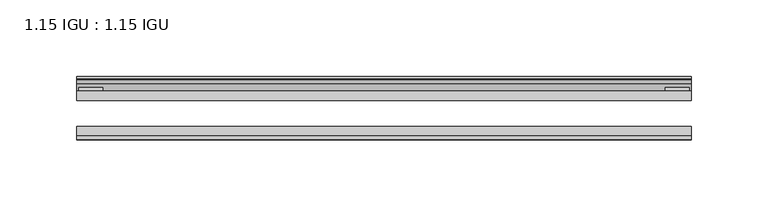
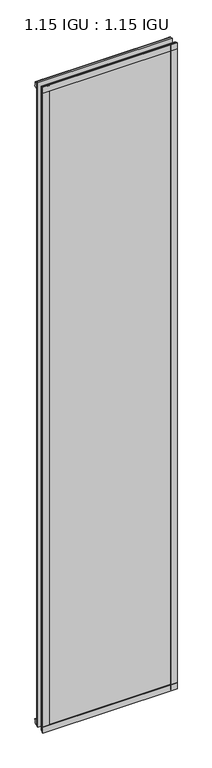
"""IFC4 building model written with IfcOpenShell, lengths in millimetres: plate geometry, 1.15 IGU : 1.15 IGU."""

from ifc_helpers import new_model, si_unit, point, frame, frame_2d, origin, place, context, project, spatial, polyline, circle_curve, trimmed, segment, composite_curve, outline, extrude, source, transform, mapped, element, save


def plate_1_15_igu_1_15_igu_f3071727(model_context):
    return source(origin(), model_context, "Body", "SweptSolid", [
        extrude(outline(polyline([(200.2730469, 0.0), (200.2730469, -6.2992), (-200.2730469, -6.2992), (-200.2730469, 0.0), (200.2730469, 0.0)])), frame((0.0, 0.0, -15.875), z_axis=(0.0, 0.0, 1.0), x_axis=(1.0, 0.0, 0.0)), (0.0, 0.0, 1.0), 2033.5830337),
        extrude(outline(polyline([(-200.2730469, -23.1648), (200.2730469, -23.1648), (200.2730469, -29.464), (-200.2730469, -29.464), (-200.2730469, -23.1648)])), frame((0.0, 0.0, -15.875), z_axis=(0.0, 0.0, 1.0), x_axis=(1.0, 0.0, 0.0)), (0.0, 0.0, 1.0), 2033.5830337),
        extrude(outline(polyline([(-200.2730469, -31.75), (-200.2730469, -29.464), (200.2730469, -29.464), (200.2730469, -31.75), (-200.2730469, -31.75)])), frame((0.0, 0.0, -19.05), z_axis=(0.0, 0.0, 1.0), x_axis=(1.0, 0.0, 0.0)), (0.0, 0.0, 1.0), 19.05),
        extrude(outline(composite_curve([segment(trimmed(circle_curve(frame_2d((13.6593785, 32.4202472)), 31.3046461), [point((0.0, 4.2528503))], [point((9.3980339, 1.406995))], True, "CARTESIAN"), True, "CONTINUOUS"), segment(polyline([(9.3980339, 1.406995), (9.3980339, 0.0254), (6.35, 0.0254), (6.35, -5.1625788), (7.7309478, -5.3970663), (6.35, -8.0073788), (6.35, -11.8471127)]), True, "CONTINUOUS"), segment(trimmed(circle_curve(frame_2d((5.334, -11.8471127)), 1.016), [point((6.35, -11.8471127))], [point((4.6284878, -12.5782136))], False, "CARTESIAN"), True, "CONTINUOUS"), segment(trimmed(circle_curve(frame_2d((-23.3689302, -41.5910901)), 40.3187601), [point((4.6284878, -12.5782136))], [point((0.0, -8.735413))], True, "CARTESIAN"), True, "CONTINUOUS"), segment(polyline([(0.0, -8.735413), (0.0, 4.2528503)]), True, "CONTINUOUS")], self_intersect=False)), frame((-200.2730469, 0.0, 0.0), z_axis=(1.0, 0.0, 0.0), x_axis=(0.0, 1.0, 0.0)), (0.0, 0.0, 1.0), 400.5460937),
        extrude(outline(composite_curve([segment(trimmed(circle_curve(frame_2d((-23.3689302, 2041.8747237)), 40.3187601), [point((0.0, 2009.0190467))], [point((4.9746073, 2013.1998864))], True, "CARTESIAN"), True, "CONTINUOUS"), segment(trimmed(circle_curve(frame_2d((5.8674, 2012.2966582)), 1.27), [point((4.9746073, 2013.1998864))], [point((7.1374, 2012.2966582))], False, "CARTESIAN"), True, "CONTINUOUS"), segment(polyline([(7.1374, 2012.2966582), (7.1374, 2007.8958505), (7.7309478, 2005.6806999), (6.35, 2005.4462125), (6.35, 2000.2582337), (9.3980339, 2000.2582337), (9.3980339, 1998.8766387)]), True, "CONTINUOUS"), segment(trimmed(circle_curve(frame_2d((13.6593785, 1967.8633864)), 31.3046461), [point((9.3980339, 1998.8766387))], [point((0.0, 1996.0307834))], True, "CARTESIAN"), True, "CONTINUOUS"), segment(polyline([(0.0, 1996.0307834), (0.0, 2009.0190467)]), True, "CONTINUOUS")], self_intersect=False)), frame((-200.2730469, 0.0, 0.0), z_axis=(1.0, 0.0, 0.0), x_axis=(0.0, 1.0, 0.0)), (0.0, 0.0, 1.0), 400.5460937),
        extrude(outline(polyline([(-200.2730469, -31.75), (-200.2730469, -29.464), (200.2730469, -29.464), (200.2730469, -31.75), (-200.2730469, -31.75)])), frame((0.0, 0.0, 2000.2582337), z_axis=(0.0, 0.0, 1.0), x_axis=(1.0, 0.0, 0.0)), (0.0, 0.0, 1.0), 19.05),
        extrude(outline(polyline([(181.2230469, -29.464), (200.2730469, -29.464), (200.2730469, -31.75), (181.2230469, -31.75), (181.2230469, -29.464)])), frame((0.0, 0.0, -15.875), z_axis=(0.0, 0.0, 1.0), x_axis=(1.0, 0.0, 0.0)), (0.0, 0.0, 1.0), 2033.5830337),
        extrude(outline(polyline([(199.0665469, 2.2860088), (199.0665469, 0.0021347), (183.1915469, 0.0021347), (183.1915469, 2.2860088), (199.0665469, 2.2860088)])), frame((0.0, 0.0, -15.875), z_axis=(0.0, 0.0, 1.0), x_axis=(1.0, 0.0, 0.0)), (0.0, 0.0, 1.0), 2033.5830337),
        extrude(outline(polyline([(-200.2730469, -31.75), (-200.2730469, -29.464), (-181.2230469, -29.464), (-181.2230469, -31.75), (-200.2730469, -31.75)])), frame((0.0, 0.0, -15.875), z_axis=(0.0, 0.0, 1.0), x_axis=(1.0, 0.0, 0.0)), (0.0, 0.0, 1.0), 2033.5830337),
        extrude(outline(polyline([(-199.0665469, 0.0), (-199.0665469, 2.286), (-183.1915469, 2.286), (-183.1915469, 0.0), (-199.0665469, 0.0)])), frame((0.0, 0.0, -15.875), z_axis=(0.0, 0.0, 1.0), x_axis=(1.0, 0.0, 0.0)), (0.0, 0.0, 1.0), 2033.5830337),
    ])


if __name__ == "__main__":
    model = new_model("IFC4")
    model_context = context("Model", 3, world=origin())
    ifc_project = project(units=[si_unit("LENGTHUNIT", "METRE", prefix="MILLI")], contexts=[model_context])
    site = spatial("IfcSite", under=ifc_project)
    building = spatial("IfcBuilding", under=site)
    placement = place(None, origin())
    plate_1_15_igu_1_15_igu_shape = plate_1_15_igu_1_15_igu_f3071727(model_context)
    element("IfcPlate", 1, ObjectType="1.15 IGU : 1.15 IGU", at=placement, inside=building, context=model_context, shape_type="MappedRepresentation", body=[
        mapped(plate_1_15_igu_1_15_igu_shape, transform((0.0, 0.0, 0.0), x_axis=(1.0, 0.0, 0.0), y_axis=(0.0, 1.0, 0.0), z_axis=(0.0, 0.0, 1.0))),
    ])
    save(model, "model.ifc")
